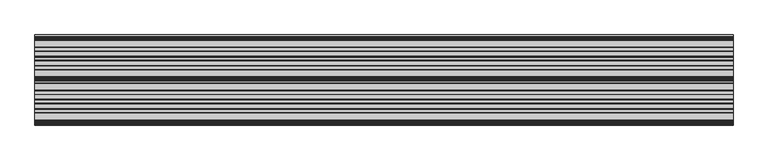
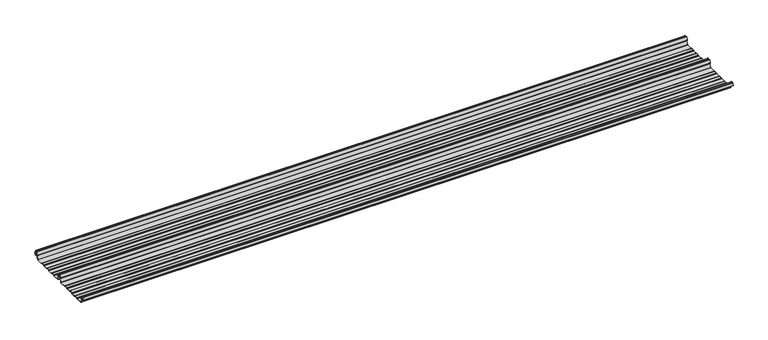
"""IFC4 building model written with IfcOpenShell, lengths in millimetres: beam geometry."""

from ifc_helpers import new_model, si_unit, point, frame, frame_2d, origin, place, context, project, spatial, polyline, circle_curve, trimmed, segment, composite_curve, outline, extrude, source, transform, mapped, element, save


def beam_82dc6e95(model_context):
    return source(origin(), model_context, "Body", "SweptSolid", [
        extrude(outline(composite_curve([segment(trimmed(circle_curve(frame_2d((-231.1362436, -24.0396475)), 1.75), [point((-231.1362436, -25.7896475))], [point((-232.7807057, -24.6381827))], False, "CARTESIAN"), True, "CONTINUOUS"), segment(polyline([(-232.7807057, -24.6381827), (-241.6888002, -2.1633943)]), True, "CONTINUOUS"), segment(trimmed(circle_curve(frame_2d((-240.0443381, -1.5648591)), 1.75), [point((-241.6888002, -2.1633943))], [point((-240.4972714, 0.1255111))], False, "CARTESIAN"), True, "CONTINUOUS"), segment(polyline([(-240.4972714, 0.1255111), (-237.8419476, 0.837003)]), True, "CONTINUOUS"), segment(trimmed(circle_curve(frame_2d((-238.1654714, 2.0444103)), 1.25), [point((-237.8419476, 0.837003))], [point((-236.9908556, 2.4719355))], True, "CARTESIAN"), True, "CONTINUOUS"), segment(polyline([(-236.9908556, 2.4719355), (-243.8110817, 21.2103525), (-250.0, 21.2103525), (-256.1889183, 21.2103525), (-263.0091444, 2.4719355)]), True, "CONTINUOUS"), segment(trimmed(circle_curve(frame_2d((-261.8345286, 2.0444103)), 1.25), [point((-263.0091444, 2.4719355))], [point((-262.1580524, 0.837003))], True, "CARTESIAN"), True, "CONTINUOUS"), segment(polyline([(-262.1580524, 0.837003), (-259.5027286, 0.1255111)]), True, "CONTINUOUS"), segment(trimmed(circle_curve(frame_2d((-259.9556619, -1.5648591)), 1.75), [point((-259.5027286, 0.1255111))], [point((-258.3111998, -2.1633943))], False, "CARTESIAN"), True, "CONTINUOUS"), segment(polyline([(-258.3111998, -2.1633943), (-267.2192943, -24.6381827)]), True, "CONTINUOUS"), segment(trimmed(circle_curve(frame_2d((-268.8637564, -24.0396475)), 1.75), [point((-267.2192943, -24.6381827))], [point((-268.8637564, -25.7896475))], False, "CARTESIAN"), True, "CONTINUOUS"), segment(polyline([(-268.8637564, -25.7896475), (-307.3786797, -25.7896475)]), True, "CONTINUOUS"), segment(trimmed(circle_curve(frame_2d((-307.3786797, -24.0396475)), 1.75), [point((-307.3786797, -25.7896475))], [point((-308.6161165, -25.2770843))], False, "CARTESIAN"), True, "CONTINUOUS"), segment(polyline([(-308.6161165, -25.2770843), (-310.7788845, -23.1143163)]), True, "CONTINUOUS"), segment(trimmed(circle_curve(frame_2d((-311.5627045, -23.8981363)), 1.1084889), [point((-310.7788845, -23.1143163))], [point((-311.5627045, -22.7896475))], True, "CARTESIAN"), True, "CONTINUOUS"), segment(polyline([(-311.5627045, -22.7896475), (-330.4372955, -22.7896475)]), True, "CONTINUOUS"), segment(trimmed(circle_curve(frame_2d((-330.4372955, -23.8981363)), 1.1084889), [point((-330.4372955, -22.7896475))], [point((-331.2211155, -23.1143163))], True, "CARTESIAN"), True, "CONTINUOUS"), segment(polyline([(-331.2211155, -23.1143163), (-333.3838835, -25.2770843)]), True, "CONTINUOUS"), segment(trimmed(circle_curve(frame_2d((-334.6213203, -24.0396475)), 1.75), [point((-333.3838835, -25.2770843))], [point((-334.6213203, -25.7896475))], False, "CARTESIAN"), True, "CONTINUOUS"), segment(polyline([(-334.6213203, -25.7896475), (-361.3786797, -25.7896475)]), True, "CONTINUOUS"), segment(trimmed(circle_curve(frame_2d((-361.3786797, -24.0396475)), 1.75), [point((-361.3786797, -25.7896475))], [point((-362.6161165, -25.2770843))], False, "CARTESIAN"), True, "CONTINUOUS"), segment(polyline([(-362.6161165, -25.2770843), (-364.7788845, -23.1143163)]), True, "CONTINUOUS"), segment(trimmed(circle_curve(frame_2d((-365.5627045, -23.8981363)), 1.1084889), [point((-364.7788845, -23.1143163))], [point((-365.5627045, -22.7896475))], True, "CARTESIAN"), True, "CONTINUOUS"), segment(polyline([(-365.5627045, -22.7896475), (-384.4372955, -22.7896475)]), True, "CONTINUOUS"), segment(trimmed(circle_curve(frame_2d((-384.4372955, -23.8981363)), 1.1084889), [point((-384.4372955, -22.7896475))], [point((-385.2211155, -23.1143163))], True, "CARTESIAN"), True, "CONTINUOUS"), segment(polyline([(-385.2211155, -23.1143163), (-387.3838835, -25.2770843)]), True, "CONTINUOUS"), segment(trimmed(circle_curve(frame_2d((-388.6213203, -24.0396475)), 1.75), [point((-387.3838835, -25.2770843))], [point((-388.6213203, -25.7896475))], False, "CARTESIAN"), True, "CONTINUOUS"), segment(polyline([(-388.6213203, -25.7896475), (-415.3786797, -25.7896475)]), True, "CONTINUOUS"), segment(trimmed(circle_curve(frame_2d((-415.3786797, -24.0396475)), 1.75), [point((-415.3786797, -25.7896475))], [point((-416.6161165, -25.2770843))], False, "CARTESIAN"), True, "CONTINUOUS"), segment(polyline([(-416.6161165, -25.2770843), (-418.7788845, -23.1143163)]), True, "CONTINUOUS"), segment(trimmed(circle_curve(frame_2d((-419.5627045, -23.8981363)), 1.1084889), [point((-418.7788845, -23.1143163))], [point((-419.5627045, -22.7896475))], True, "CARTESIAN"), True, "CONTINUOUS"), segment(polyline([(-419.5627045, -22.7896475), (-438.4372955, -22.7896475)]), True, "CONTINUOUS"), segment(trimmed(circle_curve(frame_2d((-438.4372955, -23.8981363)), 1.1084889), [point((-438.4372955, -22.7896475))], [point((-439.2211155, -23.1143163))], True, "CARTESIAN"), True, "CONTINUOUS"), segment(polyline([(-439.2211155, -23.1143163), (-441.3838835, -25.2770843)]), True, "CONTINUOUS"), segment(trimmed(circle_curve(frame_2d((-442.6213203, -24.0396475)), 1.75), [point((-441.3838835, -25.2770843))], [point((-442.6213203, -25.7896475))], False, "CARTESIAN"), True, "CONTINUOUS"), segment(polyline([(-442.6213203, -25.7896475), (-483.287616, -25.7896475)]), True, "CONTINUOUS"), segment(trimmed(circle_curve(frame_2d((-483.287616, -24.0396475)), 1.75), [point((-483.287616, -25.7896475))], [point((-484.8955882, -24.7302452))], False, "CARTESIAN"), True, "CONTINUOUS"), segment(polyline([(-484.8955882, -24.7302452), (-493.5565428, -2.8789816)]), True, "CONTINUOUS"), segment(trimmed(circle_curve(frame_2d((-490.0443381, -1.5648591)), 3.75), [point((-493.5565428, -2.8789816))], [point((-490.3464639, 2.1729504))], False, "CARTESIAN"), True, "CONTINUOUS"), segment(trimmed(circle_curve(frame_2d((-490.426413, 3.162057)), 0.9923325), [point((-490.3464639, 2.1729504))], [point((-489.4939255, 3.5014547))], True, "CARTESIAN"), True, "CONTINUOUS"), segment(polyline([(-489.4939255, 3.5014547), (-494.9720116, 18.5523727)]), True, "CONTINUOUS"), segment(trimmed(circle_curve(frame_2d((-495.9117043, 18.2103525)), 1.0), [point((-494.9720116, 18.5523727))], [point((-495.9117043, 19.2103525))], True, "CARTESIAN"), True, "CONTINUOUS"), segment(polyline([(-495.9117043, 19.2103525), (-504.0882957, 19.2103525)]), True, "CONTINUOUS"), segment(trimmed(circle_curve(frame_2d((-504.0882957, 18.2103525)), 1.0), [point((-504.0882957, 19.2103525))], [point((-505.0279884, 18.5523727))], True, "CARTESIAN"), True, "CONTINUOUS"), segment(polyline([(-505.0279884, 18.5523727), (-510.4799156, 3.5733257)]), True, "CONTINUOUS"), segment(trimmed(circle_curve(frame_2d((-510.9497619, 3.7443357)), 0.5), [point((-510.4799156, 3.5733257))], [point((-511.4196082, 3.9153458))], False, "CARTESIAN"), True, "CONTINUOUS"), segment(polyline([(-511.4196082, 3.9153458), (-505.967681, 18.8943928)]), True, "CONTINUOUS"), segment(trimmed(circle_curve(frame_2d((-504.0882957, 18.2103525)), 2.0), [point((-505.967681, 18.8943928))], [point((-504.0882957, 20.2103525))], False, "CARTESIAN"), True, "CONTINUOUS"), segment(polyline([(-504.0882957, 20.2103525), (-495.9117043, 20.2103525)]), True, "CONTINUOUS"), segment(trimmed(circle_curve(frame_2d((-495.9117043, 18.2103525)), 2.0), [point((-495.9117043, 20.2103525))], [point((-494.032319, 18.8943928))], False, "CARTESIAN"), True, "CONTINUOUS"), segment(polyline([(-494.032319, 18.8943928), (-488.5542329, 3.8434749)]), True, "CONTINUOUS"), segment(trimmed(circle_curve(frame_2d((-490.426413, 3.162057)), 1.9923325), [point((-488.5542329, 3.8434749))], [point((-490.265897, 1.1762012))], False, "CARTESIAN"), True, "CONTINUOUS"), segment(trimmed(circle_curve(frame_2d((-490.0443381, -1.5648591)), 2.75), [point((-490.265897, 1.1762012))], [point((-492.6230664, -2.5201915))], True, "CARTESIAN"), True, "CONTINUOUS"), segment(polyline([(-492.6230664, -2.5201915), (-483.9722515, -24.3458733)]), True, "CONTINUOUS"), segment(trimmed(circle_curve(frame_2d((-483.287616, -24.0396475)), 0.75), [point((-483.9722515, -24.3458733))], [point((-483.287616, -24.7896475))], True, "CARTESIAN"), True, "CONTINUOUS"), segment(polyline([(-483.287616, -24.7896475), (-442.7420401, -24.7896475)]), True, "CONTINUOUS"), segment(trimmed(circle_curve(frame_2d((-442.7420401, -23.7482041)), 1.0414433), [point((-442.7420401, -24.7896475))], [point((-442.0056285, -24.4846158))], True, "CARTESIAN"), True, "CONTINUOUS"), segment(polyline([(-442.0056285, -24.4846158), (-439.9696699, -22.4486572)]), True, "CONTINUOUS"), segment(trimmed(circle_curve(frame_2d((-438.3786797, -24.0396475)), 2.25), [point((-439.9696699, -22.4486572))], [point((-438.3786797, -21.7896475))], False, "CARTESIAN"), True, "CONTINUOUS"), segment(polyline([(-438.3786797, -21.7896475), (-419.6213203, -21.7896475)]), True, "CONTINUOUS"), segment(trimmed(circle_curve(frame_2d((-419.6213203, -24.0396475)), 2.25), [point((-419.6213203, -21.7896475))], [point((-418.0303301, -22.4486572))], False, "CARTESIAN"), True, "CONTINUOUS"), segment(polyline([(-418.0303301, -22.4486572), (-415.9943715, -24.4846158)]), True, "CONTINUOUS"), segment(trimmed(circle_curve(frame_2d((-415.2579599, -23.7482041)), 1.0414433), [point((-415.9943715, -24.4846158))], [point((-415.2579599, -24.7896475))], True, "CARTESIAN"), True, "CONTINUOUS"), segment(polyline([(-415.2579599, -24.7896475), (-388.7420401, -24.7896475)]), True, "CONTINUOUS"), segment(trimmed(circle_curve(frame_2d((-388.7420401, -23.7482041)), 1.0414433), [point((-388.7420401, -24.7896475))], [point((-388.0056285, -24.4846158))], True, "CARTESIAN"), True, "CONTINUOUS"), segment(polyline([(-388.0056285, -24.4846158), (-385.9696699, -22.4486572)]), True, "CONTINUOUS"), segment(trimmed(circle_curve(frame_2d((-384.3786797, -24.0396475)), 2.25), [point((-385.9696699, -22.4486572))], [point((-384.3786797, -21.7896475))], False, "CARTESIAN"), True, "CONTINUOUS"), segment(polyline([(-384.3786797, -21.7896475), (-365.6213203, -21.7896475)]), True, "CONTINUOUS"), segment(trimmed(circle_curve(frame_2d((-365.6213203, -24.0396475)), 2.25), [point((-365.6213203, -21.7896475))], [point((-364.0303301, -22.4486572))], False, "CARTESIAN"), True, "CONTINUOUS"), segment(polyline([(-364.0303301, -22.4486572), (-361.9943715, -24.4846158)]), True, "CONTINUOUS"), segment(trimmed(circle_curve(frame_2d((-361.2579599, -23.7482041)), 1.0414433), [point((-361.9943715, -24.4846158))], [point((-361.2579599, -24.7896475))], True, "CARTESIAN"), True, "CONTINUOUS"), segment(polyline([(-361.2579599, -24.7896475), (-334.7420401, -24.7896475)]), True, "CONTINUOUS"), segment(trimmed(circle_curve(frame_2d((-334.7420401, -23.7482041)), 1.0414433), [point((-334.7420401, -24.7896475))], [point((-334.0056285, -24.4846158))], True, "CARTESIAN"), True, "CONTINUOUS"), segment(polyline([(-334.0056285, -24.4846158), (-331.9696699, -22.4486572)]), True, "CONTINUOUS"), segment(trimmed(circle_curve(frame_2d((-330.3786797, -24.0396475)), 2.25), [point((-331.9696699, -22.4486572))], [point((-330.3786797, -21.7896475))], False, "CARTESIAN"), True, "CONTINUOUS"), segment(polyline([(-330.3786797, -21.7896475), (-311.6213203, -21.7896475)]), True, "CONTINUOUS"), segment(trimmed(circle_curve(frame_2d((-311.6213203, -24.0396475)), 2.25), [point((-311.6213203, -21.7896475))], [point((-310.0303301, -22.4486572))], False, "CARTESIAN"), True, "CONTINUOUS"), segment(polyline([(-310.0303301, -22.4486572), (-307.9943715, -24.4846158)]), True, "CONTINUOUS"), segment(trimmed(circle_curve(frame_2d((-307.2579599, -23.7482041)), 1.0414433), [point((-307.9943715, -24.4846158))], [point((-307.2579599, -24.7896475))], True, "CARTESIAN"), True, "CONTINUOUS"), segment(polyline([(-307.2579599, -24.7896475), (-268.8637564, -24.7896475)]), True, "CONTINUOUS"), segment(trimmed(circle_curve(frame_2d((-268.8637564, -24.0396475)), 0.75), [point((-268.8637564, -24.7896475))], [point((-268.1552359, -24.2856122))], True, "CARTESIAN"), True, "CONTINUOUS"), segment(polyline([(-268.1552359, -24.2856122), (-259.2471414, -1.8108238)]), True, "CONTINUOUS"), segment(trimmed(circle_curve(frame_2d((-259.9556619, -1.5648591)), 0.75), [point((-259.2471414, -1.8108238))], [point((-259.7615476, -0.8404147))], True, "CARTESIAN"), True, "CONTINUOUS"), segment(polyline([(-259.7615476, -0.8404147), (-262.4168715, -0.1289228)]), True, "CONTINUOUS"), segment(trimmed(circle_curve(frame_2d((-261.8345286, 2.0444103)), 2.25), [point((-262.4168715, -0.1289228))], [point((-263.948837, 2.8139556))], False, "CARTESIAN"), True, "CONTINUOUS"), segment(polyline([(-263.948837, 2.8139556), (-257.1273286, 21.5558959)]), True, "CONTINUOUS"), segment(trimmed(circle_curve(frame_2d((-256.1926676, 21.2157071)), 0.9946455), [point((-257.1273286, 21.5558959))], [point((-256.1926676, 22.2103525))], False, "CARTESIAN"), True, "CONTINUOUS"), segment(polyline([(-256.1926676, 22.2103525), (-250.0, 22.2103525), (-243.8073324, 22.2103525)]), True, "CONTINUOUS"), segment(trimmed(circle_curve(frame_2d((-243.8073324, 21.2157071)), 0.9946455), [point((-243.8073324, 22.2103525))], [point((-242.8726714, 21.5558959))], False, "CARTESIAN"), True, "CONTINUOUS"), segment(polyline([(-242.8726714, 21.5558959), (-236.051163, 2.8139556)]), True, "CONTINUOUS"), segment(trimmed(circle_curve(frame_2d((-238.1654714, 2.0444103)), 2.25), [point((-236.051163, 2.8139556))], [point((-237.5831285, -0.1289228))], False, "CARTESIAN"), True, "CONTINUOUS"), segment(polyline([(-237.5831285, -0.1289228), (-240.2384524, -0.8404147)]), True, "CONTINUOUS"), segment(trimmed(circle_curve(frame_2d((-240.0443381, -1.5648591)), 0.75), [point((-240.2384524, -0.8404147))], [point((-240.7528586, -1.8108238))], True, "CARTESIAN"), True, "CONTINUOUS"), segment(polyline([(-240.7528586, -1.8108238), (-231.8447641, -24.2856122)]), True, "CONTINUOUS"), segment(trimmed(circle_curve(frame_2d((-231.1362436, -24.0396475)), 0.75), [point((-231.8447641, -24.2856122))], [point((-231.1362436, -24.7896475))], True, "CARTESIAN"), True, "CONTINUOUS"), segment(polyline([(-231.1362436, -24.7896475), (-192.7420401, -24.7896475)]), True, "CONTINUOUS"), segment(trimmed(circle_curve(frame_2d((-192.7420401, -23.7482041)), 1.0414433), [point((-192.7420401, -24.7896475))], [point((-192.0056285, -24.4846158))], True, "CARTESIAN"), True, "CONTINUOUS"), segment(polyline([(-192.0056285, -24.4846158), (-189.9696699, -22.4486572)]), True, "CONTINUOUS"), segment(trimmed(circle_curve(frame_2d((-188.3786797, -24.0396475)), 2.25), [point((-189.9696699, -22.4486572))], [point((-188.3786797, -21.7896475))], False, "CARTESIAN"), True, "CONTINUOUS"), segment(polyline([(-188.3786797, -21.7896475), (-169.6213203, -21.7896475)]), True, "CONTINUOUS"), segment(trimmed(circle_curve(frame_2d((-169.6213203, -24.0396475)), 2.25), [point((-169.6213203, -21.7896475))], [point((-168.0303301, -22.4486572))], False, "CARTESIAN"), True, "CONTINUOUS"), segment(polyline([(-168.0303301, -22.4486572), (-165.9943715, -24.4846158)]), True, "CONTINUOUS"), segment(trimmed(circle_curve(frame_2d((-165.2579599, -23.7482041)), 1.0414433), [point((-165.9943715, -24.4846158))], [point((-165.2579599, -24.7896475))], True, "CARTESIAN"), True, "CONTINUOUS"), segment(polyline([(-165.2579599, -24.7896475), (-138.7420401, -24.7896475)]), True, "CONTINUOUS"), segment(trimmed(circle_curve(frame_2d((-138.7420401, -23.7482041)), 1.0414433), [point((-138.7420401, -24.7896475))], [point((-138.0056285, -24.4846158))], True, "CARTESIAN"), True, "CONTINUOUS"), segment(polyline([(-138.0056285, -24.4846158), (-135.9696699, -22.4486572)]), True, "CONTINUOUS"), segment(trimmed(circle_curve(frame_2d((-134.3786797, -24.0396475)), 2.25), [point((-135.9696699, -22.4486572))], [point((-134.3786797, -21.7896475))], False, "CARTESIAN"), True, "CONTINUOUS"), segment(polyline([(-134.3786797, -21.7896475), (-115.6213203, -21.7896475)]), True, "CONTINUOUS"), segment(trimmed(circle_curve(frame_2d((-115.6213203, -24.0396475)), 2.25), [point((-115.6213203, -21.7896475))], [point((-114.0303301, -22.4486572))], False, "CARTESIAN"), True, "CONTINUOUS"), segment(polyline([(-114.0303301, -22.4486572), (-111.9943715, -24.4846158)]), True, "CONTINUOUS"), segment(trimmed(circle_curve(frame_2d((-111.2579599, -23.7482041)), 1.0414433), [point((-111.9943715, -24.4846158))], [point((-111.2579599, -24.7896475))], True, "CARTESIAN"), True, "CONTINUOUS"), segment(polyline([(-111.2579599, -24.7896475), (-84.7420401, -24.7896475)]), True, "CONTINUOUS"), segment(trimmed(circle_curve(frame_2d((-84.7420401, -23.7482041)), 1.0414433), [point((-84.7420401, -24.7896475))], [point((-84.0056285, -24.4846158))], True, "CARTESIAN"), True, "CONTINUOUS"), segment(polyline([(-84.0056285, -24.4846158), (-81.9696699, -22.4486572)]), True, "CONTINUOUS"), segment(trimmed(circle_curve(frame_2d((-80.3786797, -24.0396475)), 2.25), [point((-81.9696699, -22.4486572))], [point((-80.3786797, -21.7896475))], False, "CARTESIAN"), True, "CONTINUOUS"), segment(polyline([(-80.3786797, -21.7896475), (-61.6213203, -21.7896475)]), True, "CONTINUOUS"), segment(trimmed(circle_curve(frame_2d((-61.6213203, -24.0396475)), 2.25), [point((-61.6213203, -21.7896475))], [point((-60.0303301, -22.4486572))], False, "CARTESIAN"), True, "CONTINUOUS"), segment(polyline([(-60.0303301, -22.4486572), (-57.9943715, -24.4846158)]), True, "CONTINUOUS"), segment(trimmed(circle_curve(frame_2d((-57.2579599, -23.7482041)), 1.0414433), [point((-57.9943715, -24.4846158))], [point((-57.2579599, -24.7896475))], True, "CARTESIAN"), True, "CONTINUOUS"), segment(polyline([(-57.2579599, -24.7896475), (-18.8637564, -24.7896475)]), True, "CONTINUOUS"), segment(trimmed(circle_curve(frame_2d((-18.8637564, -24.0396475)), 0.75), [point((-18.8637564, -24.7896475))], [point((-18.1552359, -24.2856122))], True, "CARTESIAN"), True, "CONTINUOUS"), segment(polyline([(-18.1552359, -24.2856122), (-9.2471414, -1.8108238)]), True, "CONTINUOUS"), segment(trimmed(circle_curve(frame_2d((-9.9556619, -1.5648591)), 0.75), [point((-9.2471414, -1.8108238))], [point((-9.7615476, -0.8404147))], True, "CARTESIAN"), True, "CONTINUOUS"), segment(polyline([(-9.7615476, -0.8404147), (-12.4168715, -0.1289228)]), True, "CONTINUOUS"), segment(trimmed(circle_curve(frame_2d((-11.8345286, 2.0444103)), 2.25), [point((-12.4168715, -0.1289228))], [point((-13.948837, 2.8139556))], False, "CARTESIAN"), True, "CONTINUOUS"), segment(polyline([(-13.948837, 2.8139556), (-7.1273286, 21.5558959)]), True, "CONTINUOUS"), segment(trimmed(circle_curve(frame_2d((-6.1926676, 21.2157071)), 0.9946455), [point((-7.1273286, 21.5558959))], [point((-6.1926676, 22.2103525))], False, "CARTESIAN"), True, "CONTINUOUS"), segment(polyline([(-6.1926676, 22.2103525), (0.0, 22.2103525), (6.1926676, 22.2103525)]), True, "CONTINUOUS"), segment(trimmed(circle_curve(frame_2d((6.1926676, 21.2157071)), 0.9946455), [point((6.1926676, 22.2103525))], [point((7.1273286, 21.5558959))], False, "CARTESIAN"), True, "CONTINUOUS"), segment(polyline([(7.1273286, 21.5558959), (13.948837, 2.8139556)]), True, "CONTINUOUS"), segment(trimmed(circle_curve(frame_2d((11.8345286, 2.0444103)), 2.25), [point((13.948837, 2.8139556))], [point((12.4168715, -0.1289228))], False, "CARTESIAN"), True, "CONTINUOUS"), segment(polyline([(12.4168715, -0.1289228), (9.7615476, -0.8404147)]), True, "CONTINUOUS"), segment(trimmed(circle_curve(frame_2d((9.9556619, -1.5648591)), 0.75), [point((9.7615476, -0.8404147))], [point((9.2471414, -1.8108238))], True, "CARTESIAN"), True, "CONTINUOUS"), segment(polyline([(9.2471414, -1.8108238), (12.5127954, -10.0499465)]), True, "CONTINUOUS"), segment(trimmed(circle_curve(frame_2d((12.0479758, -10.2341821)), 0.5), [point((12.5127954, -10.0499465))], [point((11.5831563, -10.4184177))], False, "CARTESIAN"), True, "CONTINUOUS"), segment(polyline([(11.5831563, -10.4184177), (8.3111998, -2.1633943)]), True, "CONTINUOUS"), segment(trimmed(circle_curve(frame_2d((9.9556619, -1.5648591)), 1.75), [point((8.3111998, -2.1633943))], [point((9.5027286, 0.1255111))], False, "CARTESIAN"), True, "CONTINUOUS"), segment(polyline([(9.5027286, 0.1255111), (12.1580524, 0.837003)]), True, "CONTINUOUS"), segment(trimmed(circle_curve(frame_2d((11.8345286, 2.0444103)), 1.25), [point((12.1580524, 0.837003))], [point((13.0091444, 2.4719355))], True, "CARTESIAN"), True, "CONTINUOUS"), segment(polyline([(13.0091444, 2.4719355), (6.1889183, 21.2103525), (0.0, 21.2103525), (-6.1889183, 21.2103525), (-13.0091444, 2.4719355)]), True, "CONTINUOUS"), segment(trimmed(circle_curve(frame_2d((-11.8345286, 2.0444103)), 1.25), [point((-13.0091444, 2.4719355))], [point((-12.1580524, 0.837003))], True, "CARTESIAN"), True, "CONTINUOUS"), segment(polyline([(-12.1580524, 0.837003), (-9.5027286, 0.1255111)]), True, "CONTINUOUS"), segment(trimmed(circle_curve(frame_2d((-9.9556619, -1.5648591)), 1.75), [point((-9.5027286, 0.1255111))], [point((-8.3111998, -2.1633943))], False, "CARTESIAN"), True, "CONTINUOUS"), segment(polyline([(-8.3111998, -2.1633943), (-17.2192943, -24.6381827)]), True, "CONTINUOUS"), segment(trimmed(circle_curve(frame_2d((-18.8637564, -24.0396475)), 1.75), [point((-17.2192943, -24.6381827))], [point((-18.8637564, -25.7896475))], False, "CARTESIAN"), True, "CONTINUOUS"), segment(polyline([(-18.8637564, -25.7896475), (-57.3786797, -25.7896475)]), True, "CONTINUOUS"), segment(trimmed(circle_curve(frame_2d((-57.3786797, -24.0396475)), 1.75), [point((-57.3786797, -25.7896475))], [point((-58.6161165, -25.2770843))], False, "CARTESIAN"), True, "CONTINUOUS"), segment(polyline([(-58.6161165, -25.2770843), (-60.7788845, -23.1143163)]), True, "CONTINUOUS"), segment(trimmed(circle_curve(frame_2d((-61.5627045, -23.8981363)), 1.1084889), [point((-60.7788845, -23.1143163))], [point((-61.5627045, -22.7896475))], True, "CARTESIAN"), True, "CONTINUOUS"), segment(polyline([(-61.5627045, -22.7896475), (-80.4372955, -22.7896475)]), True, "CONTINUOUS"), segment(trimmed(circle_curve(frame_2d((-80.4372955, -23.8981363)), 1.1084889), [point((-80.4372955, -22.7896475))], [point((-81.2211155, -23.1143163))], True, "CARTESIAN"), True, "CONTINUOUS"), segment(polyline([(-81.2211155, -23.1143163), (-83.3838835, -25.2770843)]), True, "CONTINUOUS"), segment(trimmed(circle_curve(frame_2d((-84.6213203, -24.0396475)), 1.75), [point((-83.3838835, -25.2770843))], [point((-84.6213203, -25.7896475))], False, "CARTESIAN"), True, "CONTINUOUS"), segment(polyline([(-84.6213203, -25.7896475), (-111.3786797, -25.7896475)]), True, "CONTINUOUS"), segment(trimmed(circle_curve(frame_2d((-111.3786797, -24.0396475)), 1.75), [point((-111.3786797, -25.7896475))], [point((-112.6161165, -25.2770843))], False, "CARTESIAN"), True, "CONTINUOUS"), segment(polyline([(-112.6161165, -25.2770843), (-114.7788845, -23.1143163)]), True, "CONTINUOUS"), segment(trimmed(circle_curve(frame_2d((-115.5627045, -23.8981363)), 1.1084889), [point((-114.7788845, -23.1143163))], [point((-115.5627045, -22.7896475))], True, "CARTESIAN"), True, "CONTINUOUS"), segment(polyline([(-115.5627045, -22.7896475), (-134.4372955, -22.7896475)]), True, "CONTINUOUS"), segment(trimmed(circle_curve(frame_2d((-134.4372955, -23.8981363)), 1.1084889), [point((-134.4372955, -22.7896475))], [point((-135.2211155, -23.1143163))], True, "CARTESIAN"), True, "CONTINUOUS"), segment(polyline([(-135.2211155, -23.1143163), (-137.3838835, -25.2770843)]), True, "CONTINUOUS"), segment(trimmed(circle_curve(frame_2d((-138.6213203, -24.0396475)), 1.75), [point((-137.3838835, -25.2770843))], [point((-138.6213203, -25.7896475))], False, "CARTESIAN"), True, "CONTINUOUS"), segment(polyline([(-138.6213203, -25.7896475), (-165.3786797, -25.7896475)]), True, "CONTINUOUS"), segment(trimmed(circle_curve(frame_2d((-165.3786797, -24.0396475)), 1.75), [point((-165.3786797, -25.7896475))], [point((-166.6161165, -25.2770843))], False, "CARTESIAN"), True, "CONTINUOUS"), segment(polyline([(-166.6161165, -25.2770843), (-168.7788845, -23.1143163)]), True, "CONTINUOUS"), segment(trimmed(circle_curve(frame_2d((-169.5627045, -23.8981363)), 1.1084889), [point((-168.7788845, -23.1143163))], [point((-169.5627045, -22.7896475))], True, "CARTESIAN"), True, "CONTINUOUS"), segment(polyline([(-169.5627045, -22.7896475), (-188.4372955, -22.7896475)]), True, "CONTINUOUS"), segment(trimmed(circle_curve(frame_2d((-188.4372955, -23.8981363)), 1.1084889), [point((-188.4372955, -22.7896475))], [point((-189.2211155, -23.1143163))], True, "CARTESIAN"), True, "CONTINUOUS"), segment(polyline([(-189.2211155, -23.1143163), (-191.3838835, -25.2770843)]), True, "CONTINUOUS"), segment(trimmed(circle_curve(frame_2d((-192.6213203, -24.0396475)), 1.75), [point((-191.3838835, -25.2770843))], [point((-192.6213203, -25.7896475))], False, "CARTESIAN"), True, "CONTINUOUS"), segment(polyline([(-192.6213203, -25.7896475), (-231.1362436, -25.7896475)]), True, "CONTINUOUS")], self_intersect=False)), frame((-2034.9408339, 0.0, 0.0), z_axis=(1.0, 0.0, 0.0), x_axis=(0.0, 1.0, 0.0)), (0.0, 0.0, 1.0), 4069.8816678),
    ])


if __name__ == "__main__":
    model = new_model("IFC4")
    model_context = context("Model", 3, world=origin())
    ifc_project = project(units=[si_unit("LENGTHUNIT", "METRE", prefix="MILLI")], contexts=[model_context])
    site = spatial("IfcSite", under=ifc_project)
    building = spatial("IfcBuilding", under=site)
    placement = place(None, origin())
    beam_shape = beam_82dc6e95(model_context)
    element("IfcBeam", 1, at=placement, inside=building, context=model_context, shape_type="MappedRepresentation", body=[
        mapped(beam_shape, transform((0.0, 0.0, 0.0), x_axis=(1.0, 0.0, 0.0), y_axis=(0.0, 1.0, 0.0), z_axis=(0.0, 0.0, 1.0))),
    ])
    save(model, "model.ifc")
